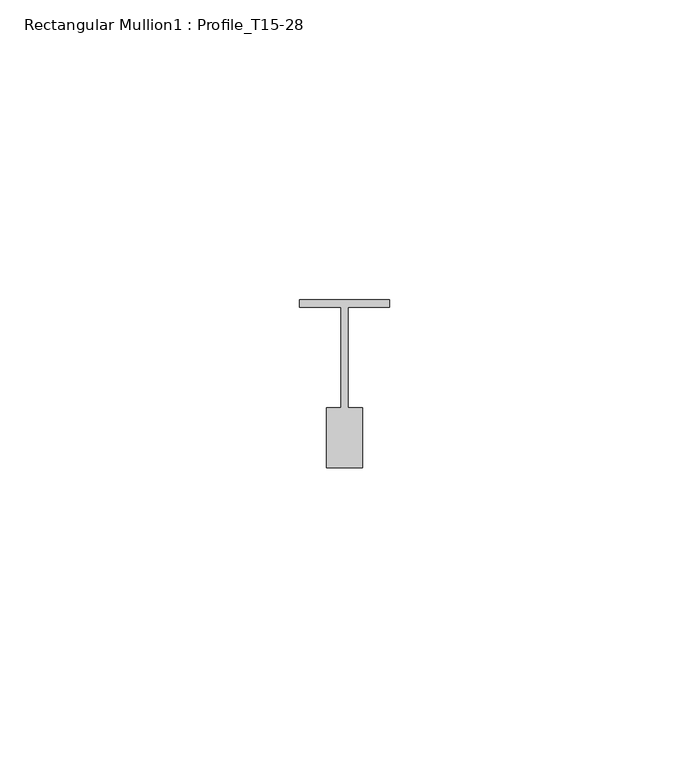
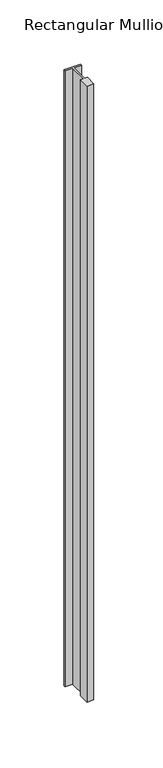
"""IFC4 building model written with IfcOpenShell, lengths in millimetres: member geometry, Rectangular Mullion1 : Profile_T15-28."""

from ifc_helpers import new_model, si_unit, frame, origin, place, context, project, spatial, polyline, outline, extrude, source, transform, mapped, element, save


def rectangular_mullion1_profile_t15_28_10d9ecb1(model_context):
    return source(origin(), model_context, "Body", "SweptSolid", [
        extrude(outline(polyline([(-7.5, 1.5), (7.5, 1.5), (7.5, 0.25), (0.6, 0.25), (0.6, -16.5), (3.0, -16.5), (3.0, -26.5), (-3.0, -26.5), (-3.0, -16.5), (-0.6, -16.5), (-0.6, 0.25), (-7.5, 0.25), (-7.5, 1.5)])), frame((0.0, 0.0, -585.0), z_axis=(0.0, 0.0, 1.0), x_axis=(1.0, 0.0, 0.0)), (0.0, 0.0, 1.0), 585.0),
    ])


if __name__ == "__main__":
    model = new_model("IFC4")
    model_context = context("Model", 3, world=origin())
    ifc_project = project(units=[si_unit("LENGTHUNIT", "METRE", prefix="MILLI")], contexts=[model_context])
    site = spatial("IfcSite", under=ifc_project)
    building = spatial("IfcBuilding", under=site)
    placement = place(None, origin())
    rectangular_mullion1_profile_t15_28_shape = rectangular_mullion1_profile_t15_28_10d9ecb1(model_context)
    element("IfcMember", 1, ObjectType="Rectangular Mullion1 : Profile_T15-28", at=placement, inside=building, context=model_context, shape_type="MappedRepresentation", body=[
        mapped(rectangular_mullion1_profile_t15_28_shape, transform((0.0, 0.0, 0.0), x_axis=(1.0, 0.0, 0.0), y_axis=(0.0, 1.0, 0.0), z_axis=(0.0, 0.0, 1.0))),
    ])
    save(model, "model.ifc")
